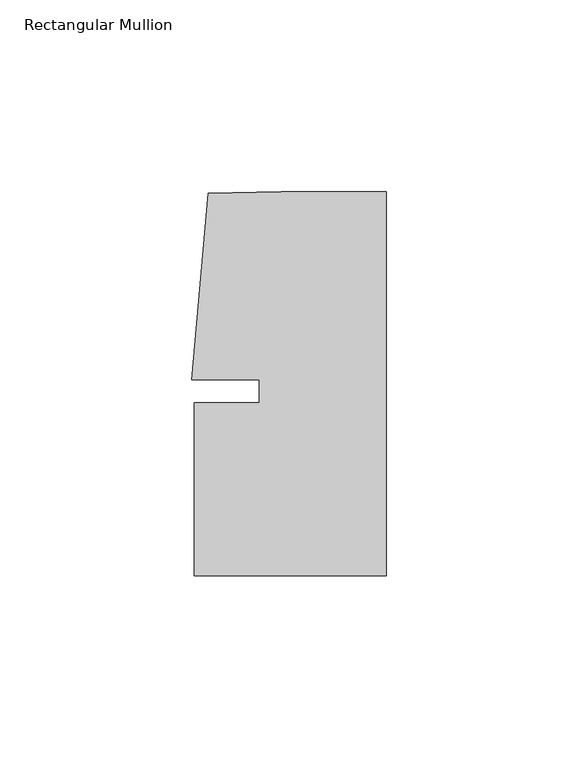
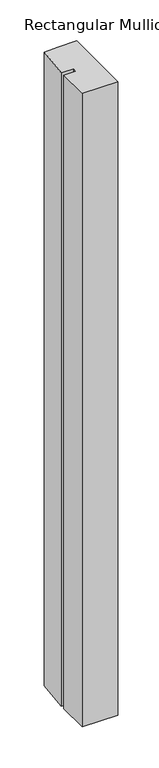
"""IFC4 building model written with IfcOpenShell, lengths in millimetres: member geometry, Rectangular Mullion."""

from ifc_helpers import new_model, si_unit, frame, origin, place, context, project, spatial, polyline, outline, extrude, source, transform, mapped, element, save


def rectangular_mullion_fc0b8046(model_context):
    return source(origin(), model_context, "Body", "SweptSolid", [
        extrude(outline(polyline([(-33.0004671, -3.0000287), (-33.0004665, 2.9999885), (-50.6129097, 2.9999903), (-46.3623019, 51.5846059), (-27.2554335, 51.9999707), (0.0, 51.999968), (-9.8e-06, -48.0000271), (-50.0000098, -48.0000271), (-50.0000054, -3.0000271), (-33.0004671, -3.0000287)])), frame((0.0, 0.0, -944.3334728), z_axis=(0.0, 0.0, 1.0), x_axis=(1.0, 0.0, 0.0)), (0.0, 0.0, 1.0), 944.3334728),
    ])


if __name__ == "__main__":
    model = new_model("IFC4")
    model_context = context("Model", 3, world=origin())
    ifc_project = project(units=[si_unit("LENGTHUNIT", "METRE", prefix="MILLI")], contexts=[model_context])
    site = spatial("IfcSite", under=ifc_project)
    building = spatial("IfcBuilding", under=site)
    placement = place(None, origin())
    rectangular_mullion_shape = rectangular_mullion_fc0b8046(model_context)
    element("IfcMember", 1, ObjectType="Rectangular Mullion", at=placement, inside=building, context=model_context, shape_type="MappedRepresentation", body=[
        mapped(rectangular_mullion_shape, transform((0.0, 0.0, 0.0), x_axis=(1.0, 0.0, 0.0), y_axis=(0.0, 1.0, 0.0), z_axis=(0.0, 0.0, 1.0))),
    ])
    save(model, "model.ifc")
